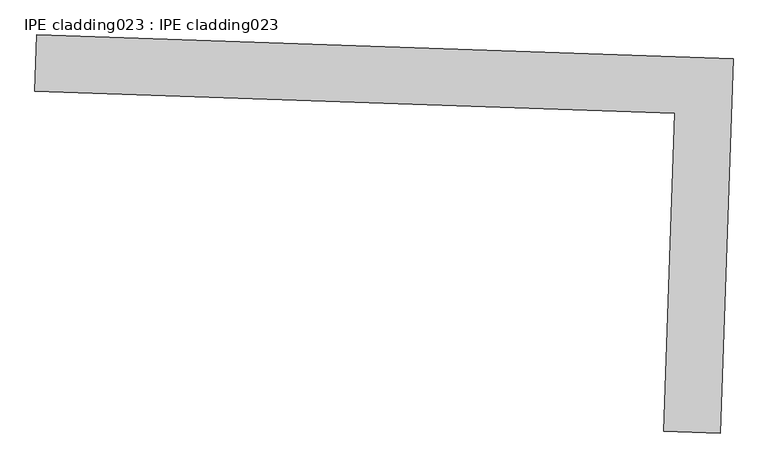
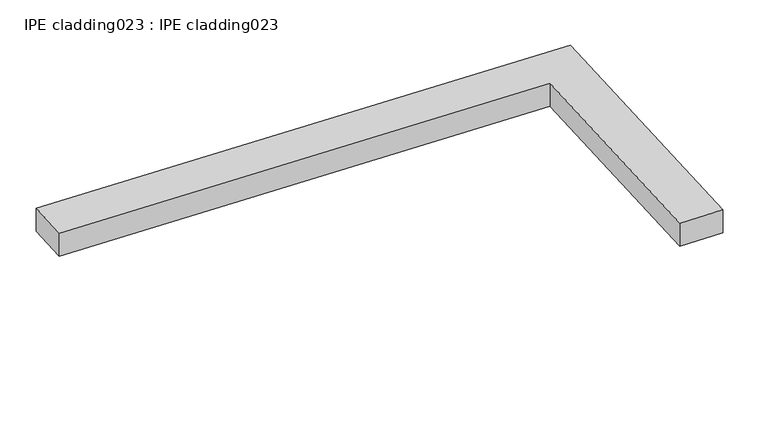
"""IFC4 building model written with IfcOpenShell, lengths in millimetres: proxy geometry, IPE cladding023 : IPE cladding023."""

import ifcopenshell
import ifcopenshell.guid

model = None  # the IFC model being written
_history = None  # IfcOwnerHistory: only IFC2X3 demands one
_inside = {}  # id of a spatial element -> (the spatial element, [elements in it])
_under = {}  # id of a project, library or spatial element -> (it, [spatial elements below it])
_declared = {}  # id of a project -> (the project, [libraries it declares])
_typed = {}  # id of a type object -> (the type object, [elements of that type])
_made_of = {}  # id of a material, layer set ... -> (it, [elements and type objects made of it])


def new_model(schema):
    """Start an empty IFC model of exactly this schema.

    Asked for "IFC4X3", IfcOpenShell would pick the latest addendum, in which some entities
    have other attributes; the version numbers below select the first issue.
    IFC2X3 requires an IfcOwnerHistory on every rooted entity: one is made here for all.
    """
    global model, _history
    if schema == "IFC4X3":
        model = ifcopenshell.file(schema_version=(4, 3, 0, 0))
    else:
        model = ifcopenshell.file(schema=schema)
    _inside.clear()
    _under.clear()
    _declared.clear()
    _typed.clear()
    _made_of.clear()
    _history = None
    if model.schema == "IFC2X3":
        org = make("IfcOrganization", Name="unknown")
        user = make(
            "IfcPersonAndOrganization",
            ThePerson=make("IfcPerson", FamilyName="unknown"),
            TheOrganization=org,
        )
        app = make(
            "IfcApplication",
            ApplicationDeveloper=org,
            Version="unknown",
            ApplicationFullName="unknown",
            ApplicationIdentifier="unknown",
        )
        _history = make(
            "IfcOwnerHistory",
            OwningUser=user,
            OwningApplication=app,
            ChangeAction="ADDED",
            CreationDate=0,
        )
    return model


def make(cls, **values):
    """One entity of the class cls with the attributes given. An attribute that is None is left unset."""
    return model.create_entity(
        cls, **{name: value for name, value in values.items() if value is not None}
    )


def rooted(cls, **values):
    """An entity with a GlobalId (a new one), such as an element, a storey or a relation."""
    return make(cls, GlobalId=ifcopenshell.guid.new(), OwnerHistory=_history, **values)


def si_unit(unit_type, name, prefix=None):
    """IfcSIUnit, for example si_unit("LENGTHUNIT", "METRE", prefix="MILLI")."""
    return make("IfcSIUnit", UnitType=unit_type, Prefix=prefix, Name=name)


def assignment(units):
    """IfcUnitAssignment: the units of a project."""
    return None if units is None else make("IfcUnitAssignment", Units=units)


def point(xyz):
    """IfcCartesianPoint."""
    return None if xyz is None else make("IfcCartesianPoint", Coordinates=xyz)


def direction(xyz):
    """IfcDirection."""
    return None if xyz is None else make("IfcDirection", DirectionRatios=xyz)


def frame(location, z_axis=None, x_axis=None):
    """IfcAxis2Placement3D, a coordinate frame: its origin and axes. An axis left out is left unset."""
    return make(
        "IfcAxis2Placement3D",
        Location=point(location),
        Axis=direction(z_axis),
        RefDirection=direction(x_axis),
    )


def origin():
    """The frame at (0, 0, 0) with its axes left unset."""
    return frame((0.0, 0.0, 0.0))


def place(relative_to, where):
    """IfcLocalPlacement: puts the frame where relative to a parent placement (None: the world)."""
    return make(
        "IfcLocalPlacement", PlacementRelTo=relative_to, RelativePlacement=where
    )


def context(
    kind, dimensions, precision=None, world=None, true_north=None, identifier=None
):
    """IfcGeometricRepresentationContext, for example the 3D "Model" context."""
    return make(
        "IfcGeometricRepresentationContext",
        ContextIdentifier=identifier,
        ContextType=kind,
        CoordinateSpaceDimension=dimensions,
        Precision=precision,
        WorldCoordinateSystem=world,
        TrueNorth=true_north,
    )


def project(units=None, contexts=None):
    """IfcProject with its units and contexts."""
    return rooted(
        "IfcProject",
        Name="project",
        RepresentationContexts=contexts,
        UnitsInContext=assignment(units),
    )


def spatial(cls, under=None, at=None, **own):
    """A site, building, storey or space (cls), placed at a placement, below another one or the project."""
    s = rooted(cls, ObjectPlacement=at, **own)
    if under is not None:
        _under.setdefault(under.id(), (under, []))[1].append(s)
    return s


def polyline(points):
    """IfcPolyline through the points."""
    return make("IfcPolyline", Points=[point(p) for p in points])


def outline(outer, holes=None, kind="AREA"):
    """IfcArbitraryClosedProfileDef: a profile drawn as a closed curve; with holes, ...WithVoids."""
    if holes is None:
        return make("IfcArbitraryClosedProfileDef", ProfileType=kind, OuterCurve=outer)
    return make(
        "IfcArbitraryProfileDefWithVoids",
        ProfileType=kind,
        OuterCurve=outer,
        InnerCurves=holes,
    )


def extrude(swept, where, along, depth):
    """IfcExtrudedAreaSolid: the profile swept, set in the frame where, extruded along a direction by depth."""
    return make(
        "IfcExtrudedAreaSolid",
        SweptArea=swept,
        Position=where,
        ExtrudedDirection=direction(along),
        Depth=depth,
    )


def shape(context_of_items, identifier, shape_type, items):
    """IfcShapeRepresentation: the items that make up one representation, for example the "Body"."""
    return make(
        "IfcShapeRepresentation",
        ContextOfItems=context_of_items,
        RepresentationIdentifier=identifier,
        RepresentationType=shape_type,
        Items=items,
    )


def source(mapping_origin, context_of_items, identifier, shape_type, items):
    """IfcRepresentationMap: a shape defined once, which mapped items show again and again."""
    return make(
        "IfcRepresentationMap",
        MappingOrigin=mapping_origin,
        MappedRepresentation=shape(context_of_items, identifier, shape_type, items),
    )


def transform(
    local_origin,
    x_axis=None,
    y_axis=None,
    z_axis=None,
    scale=None,
    scale2=None,
    scale3=None,
    uniform=True,
):
    """IfcCartesianTransformationOperator3D, or its non-uniform kind. x_axis, y_axis, z_axis: its Axis1, 2, 3."""
    if uniform:
        return make(
            "IfcCartesianTransformationOperator3D",
            Axis1=direction(x_axis),
            Axis2=direction(y_axis),
            LocalOrigin=point(local_origin),
            Scale=scale,
            Axis3=direction(z_axis),
        )
    return make(
        "IfcCartesianTransformationOperator3DnonUniform",
        Axis1=direction(x_axis),
        Axis2=direction(y_axis),
        LocalOrigin=point(local_origin),
        Scale=scale,
        Axis3=direction(z_axis),
        Scale2=scale2,
        Scale3=scale3,
    )


def mapped(mapping_source, mapping_target):
    """IfcMappedItem: shows the shape of a source again, moved by a transform."""
    return make(
        "IfcMappedItem", MappingSource=mapping_source, MappingTarget=mapping_target
    )


def made_of(thing, what):
    """Note that an element or type object is made of a material, layer set ...; save() writes the relation."""
    if what is not None:
        _made_of.setdefault(what.id(), (what, []))[1].append(thing)
    return thing


def element(
    cls,
    number,
    at=None,
    inside=None,
    cuts=None,
    type_object=None,
    material=None,
    context=None,
    identifier="Body",
    shape_type=None,
    held_by="IfcProductDefinitionShape",
    body=None,
    shapes=None,
    **own,
):
    """One element of the class cls, such as IfcWall. Its Tag is "e" and its number.

    at: its placement. inside: the storey or other place that contains it. cuts: it is an
    opening in that element (IfcRelVoidsElement). A single representation is given by context,
    identifier, shape_type and body (its items); several are given by shapes. held_by: the class
    of the entity that holds the representations. save() writes the other relations.
    """
    e = rooted(cls, Tag="e%d" % number, ObjectPlacement=at, **own)
    if body is not None:
        shapes = [shape(context, identifier, shape_type, body)]
    if shapes is not None:
        e.Representation = make(held_by, Representations=shapes)
    if inside is not None:
        _inside.setdefault(inside.id(), (inside, []))[1].append(e)
    if cuts is not None:
        rooted(
            "IfcRelVoidsElement", RelatingBuildingElement=cuts, RelatedOpeningElement=e
        )
    if type_object is not None:
        _typed.setdefault(type_object.id(), (type_object, []))[1].append(e)
    return made_of(e, material)


def aggregate(whole, parts):
    """IfcRelAggregates: a whole, such as a stair, and the parts it consists of."""
    return rooted("IfcRelAggregates", RelatingObject=whole, RelatedObjects=parts)


def save(model, path):
    """Write the relations noted so far, then the file.

    IfcRelAggregates (storeys below a building ...), IfcRelContainedInSpatialStructure (elements
    in a storey), IfcRelDefinesByType, IfcRelAssociatesMaterial and IfcRelDeclares: one each for
    every whole, place, type object, material and project.
    """
    for whole, parts in _under.values():
        aggregate(whole, parts)
    for where, things in _inside.values():
        rooted(
            "IfcRelContainedInSpatialStructure",
            RelatedElements=things,
            RelatingStructure=where,
        )
    for kind, things in _typed.values():
        rooted("IfcRelDefinesByType", RelatedObjects=things, RelatingType=kind)
    for what, things in _made_of.values():
        rooted("IfcRelAssociatesMaterial", RelatedObjects=things, RelatingMaterial=what)
    for by, libraries in _declared.values():
        rooted("IfcRelDeclares", RelatingContext=by, RelatedDefinitions=libraries)
    model.write(path)


def ipe_cladding023_ipe_cladding023_35b258ae(model_context):
    return source(origin(), model_context, "Body", "SweptSolid", [
        extrude(outline(polyline([(17306.5036742, -14579.7359023), (17309.544211, -14490.8879134), (18404.9713726, -14528.375386), (18384.8189494, -15117.2524246), (18295.9709603, -15114.2118879), (18313.0828471, -14614.182838), (17306.5036742, -14579.7359023)])), frame((0.0, 0.0, 1953.575707), z_axis=(0.0, 0.0, 1.0), x_axis=(1.0, 0.0, 0.0)), (0.0, 0.0, 1.0), 50.8),
    ])


if __name__ == "__main__":
    model = new_model("IFC4")
    model_context = context("Model", 3, world=origin())
    ifc_project = project(units=[si_unit("LENGTHUNIT", "METRE", prefix="MILLI")], contexts=[model_context])
    site = spatial("IfcSite", under=ifc_project)
    building = spatial("IfcBuilding", under=site)
    placement = place(None, origin())
    ipe_cladding023_ipe_cladding023_shape = ipe_cladding023_ipe_cladding023_35b258ae(model_context)
    element("IfcBuildingElementProxy", 1, Name="IPE cladding023 : IPE cladding023", ObjectType="IPE cladding023 : IPE cladding023", at=placement, inside=building, context=model_context, shape_type="MappedRepresentation", body=[
        mapped(ipe_cladding023_ipe_cladding023_shape, transform((0.0, 0.0, 0.0), x_axis=(1.0, 0.0, 0.0), y_axis=(0.0, 1.0, 0.0), z_axis=(0.0, 0.0, 1.0))),
    ])
    save(model, "model.ifc")
